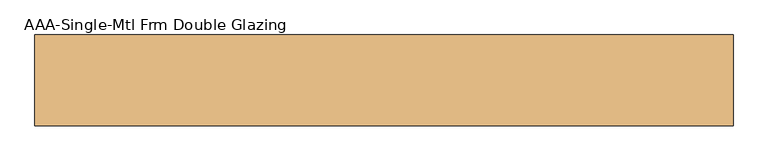
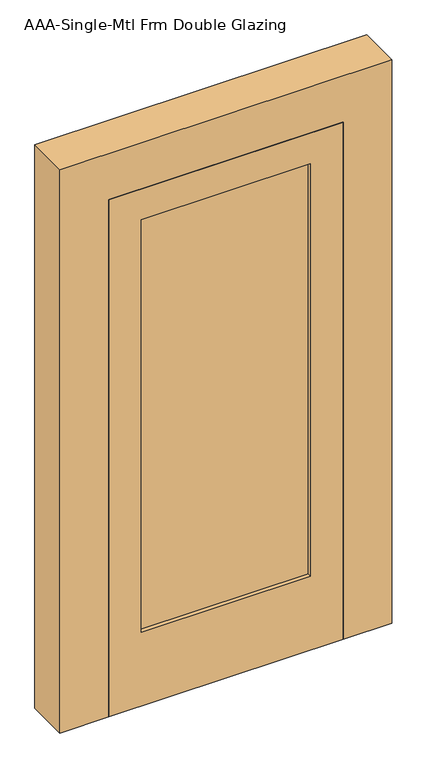
"""IFC4 building model written with IfcOpenShell, lengths in millimetres: door geometry, AAA-Single-Mtl Frm Double Glazing."""

from ifc_helpers import new_model, si_unit, frame, origin, place, context, project, spatial, polyline, outline, extrude, source, transform, mapped, element, save


def aaa_single_mtl_frm_double_glazing_5faa08fb(model_context):
    return source(origin(), model_context, "Body", "SweptSolid", [
        extrude(outline(polyline([(330.2, -55.5625), (330.2, -68.2625), (-330.2, -68.2625), (-330.2, -55.5625), (330.2, -55.5625)])), frame((0.0, 0.0, 304.8), z_axis=(0.0, 0.0, 1.0), x_axis=(1.0, 0.0, 0.0)), (0.0, 0.0, 1.0), 1701.8),
        extrude(outline(polyline([(2133.6, 457.2), (2133.6, -457.2), (0.0, -457.2), (0.0, 457.2), (2133.6, 457.2)]), holes=[polyline([(2006.6, 330.2), (304.8, 330.2), (304.8, -330.2), (2006.6, -330.2), (2006.6, 330.2)])]), frame((0.0, -84.1375, 0.0), z_axis=(0.0, 1.0, 0.0), x_axis=(0.0, 0.0, 1.0)), (0.0, 0.0, 1.0), 44.45),
        extrude(outline(polyline([(2324.1, 647.7), (2324.1, -647.7), (0.0, -647.7), (0.0, -457.2), (2133.6, -457.2), (2133.6, 457.2), (0.0, 457.2), (0.0, 647.7), (2324.1, 647.7)])), frame((0.0, -84.1375, 0.0), z_axis=(0.0, 1.0, 0.0), x_axis=(0.0, 0.0, 1.0)), (0.0, 0.0, 1.0), 168.275),
    ])


if __name__ == "__main__":
    model = new_model("IFC4")
    model_context = context("Model", 3, world=origin())
    ifc_project = project(units=[si_unit("LENGTHUNIT", "METRE", prefix="MILLI")], contexts=[model_context])
    site = spatial("IfcSite", under=ifc_project)
    building = spatial("IfcBuilding", under=site)
    placement = place(None, origin())
    aaa_single_mtl_frm_double_glazing_shape = aaa_single_mtl_frm_double_glazing_5faa08fb(model_context)
    element("IfcDoor", 1, ObjectType="AAA-Single-Mtl Frm Double Glazing", at=placement, inside=building, context=model_context, shape_type="MappedRepresentation", body=[
        mapped(aaa_single_mtl_frm_double_glazing_shape, transform((0.0, 0.0, 0.0), x_axis=(1.0, 0.0, 0.0), y_axis=(0.0, 1.0, 0.0), z_axis=(0.0, 0.0, 1.0))),
    ])
    save(model, "model.ifc")
